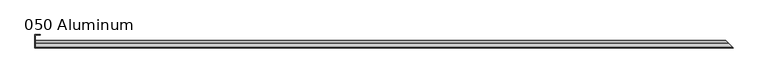
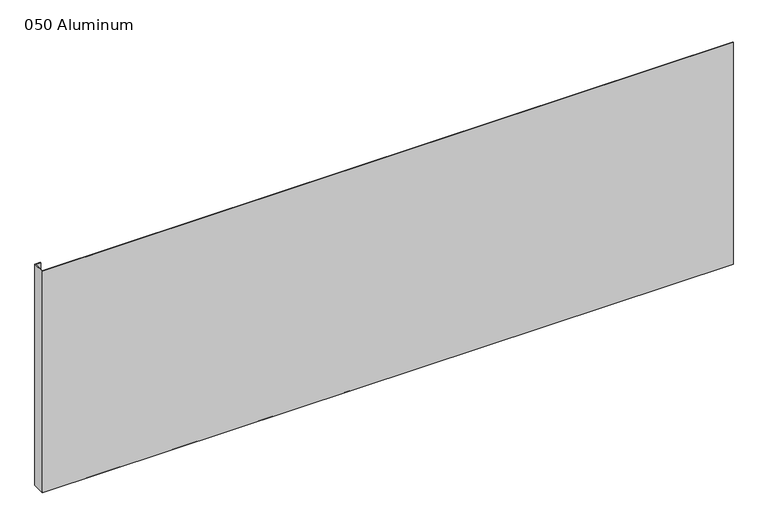
"""IFC4 building model written with IfcOpenShell, lengths in millimetres: plate geometry, 050 Aluminum."""

from ifc_helpers import new_model, si_unit, frame, origin, origin_with_axes, place, context, project, spatial, polyline, circle_curve, ellipse_curve, outline, extrude, source, transform, mapped, element, save
from ifc_brep_helpers import plane_surface, cylinder_surface, revolved_surface, advanced_brep


def plate_050_aluminum_1dc5d93a(model_context):
    return source(origin(), model_context, "Body", "SolidModel", [
        extrude(outline(polyline([(-897.2286226, -2.5660257), (-897.2286226, -34.7980001), (-898.4986226, -34.7980001), (-898.4986226, -1.2699999), (-884.3381221, -1.2699999), (-884.3381221, -2.5660257), (-897.2286226, -2.5660257)])), origin_with_axes(), (0.0, 0.0, 1.0), 621.03),
        advanced_brep(
        [(-897.2286226, -16.6765477, 13.1458337), (-897.2286226, -16.6765477, 2.786437), (-897.2286226, -17.9464915, 2.786437), (-897.2286226, -17.9464915, 13.1323356), (-897.2286226, -21.7564743, 13.124237), (-897.2286226, -21.7564743, 0.0), (-897.2286226, -34.7980002, 0.0), (-897.2286226, -34.7980002, 1.2693678), (-897.2286226, -23.0264743, 1.2693678), (-897.2286226, -23.0264743, 13.124237), (915.1751704, -16.6765477, 13.1458337), (915.1751704, -16.6765477, 2.786437), (916.4451141, -17.9464915, 2.786437), (916.4451141, -17.9464915, 13.1323356), (920.2550969, -21.7564743, 13.124237), (920.2550969, -21.7564743, 0.0), (933.2966226, -34.798, 0.0), (933.2966228, -34.7980002, 1.2693678), (921.5250969, -23.0264743, 1.2693678), (921.5250969, -23.0264743, 13.124237)],
        [
            (0, 1),
            (1, 2),
            (2, 3),
            (3, 4, circle_curve(frame((-897.2286226, -19.8514743, 13.124237), z_axis=(1.0, 0.0, 0.0), x_axis=(0.0, 0.0, -1.0)), 1.905)),
            (4, 5),
            (5, 6),
            (6, 7),
            (7, 8),
            (8, 9),
            (9, 0, circle_curve(frame((-897.2286226, -19.8514743, 13.124237), z_axis=(-1.0, 0.0, 0.0), x_axis=(0.0, 0.0, -1.0)), 3.175)),
            (0, 10),
            (10, 11),
            (11, 1),
            (11, 12),
            (12, 2),
            (12, 13),
            (13, 3),
            (13, 14, ellipse_curve(frame((918.3500969, -19.8514743, 13.124237), z_axis=(0.707106781186549, 0.7071067811865461, 0.0), x_axis=(0.7071067811865459, -0.707106781186549, 0.0)), 2.6940768, 1.905)),
            (14, 4),
            (14, 15),
            (15, 5),
            (15, 16),
            (16, 6),
            (16, 17),
            (17, 7),
            (17, 18),
            (18, 8),
            (18, 19),
            (19, 9),
            (19, 10, ellipse_curve(frame((918.3500969, -19.8514743, 13.124237), z_axis=(-0.707106781186549, -0.7071067811865461, 0.0), x_axis=(-0.7071067811865459, 0.707106781186549, 0.0)), 4.4901281, 3.175)),
        ],
        [
            plane_surface(frame((-897.2286226, -36.068, 0.0), z_axis=(-1.0, 0.0, 0.0), x_axis=(0.0, 0.0, 1.0))),
            plane_surface(frame((-897.2286226, -16.6765477, 13.1458337), z_axis=(0.0, 1.0, 0.0), x_axis=(1.0, 0.0, 0.0))),
            plane_surface(frame((-897.2286226, -16.6765477, 2.786437), z_axis=(0.0, 0.0, -1.0), x_axis=(1.0, 0.0, 0.0))),
            plane_surface(frame((-897.2286226, -17.9464915, 2.786437), z_axis=(0.0, -1.0, 0.0), x_axis=(1.0, 0.0, 0.0))),
            revolved_surface(polyline([(920.2550969, -19.8514743, 11.219237000000001), (-897.2286226, -19.8514743, 11.219237000000001)]), (-897.2286226, -19.8514743, 13.124237), (1.0, 0.0, 0.0)),
            plane_surface(frame((-897.2286226, -21.7564743, 13.124237), z_axis=(0.0, 1.0, 0.0), x_axis=(1.0, 0.0, 0.0))),
            plane_surface(frame((-897.2286226, -21.7564743, 0.0), z_axis=(0.0, 0.0, -1.0), x_axis=(1.0, 0.0, 0.0))),
            plane_surface(frame((-897.2286226, -34.7980002, 0.0), z_axis=(0.0, -1.0, 0.0), x_axis=(1.0, 0.0, 0.0))),
            plane_surface(frame((-897.2286226, -34.7980002, 1.2693678), z_axis=(0.0, 0.0, 1.0), x_axis=(1.0, 0.0, 0.0))),
            plane_surface(frame((-897.2286226, -23.0264743, 1.2693678), z_axis=(0.0, -1.0, 0.0), x_axis=(1.0, 0.0, 0.0))),
            cylinder_surface(frame((-897.2286226, -19.8514743, 13.124237), z_axis=(-1.0, 0.0, 0.0), x_axis=(0.0, 0.0, -1.0)), 3.175),
            plane_surface(frame((898.4986226, 0.0, 795.4549971), z_axis=(0.707106781186549, 0.7071067811865461, 0.0), x_axis=(0.0, 0.0, -1.0))),
        ],
        [
            (0, [[1, 2, 3, 4, 5, 6, 7, 8, 9, 10]]),
            (1, [[-1, 11, 12, 13]]),
            (2, [[-2, -13, 14, 15]]),
            (3, [[-3, -15, 16, 17]]),
            (4, [[-4, -17, 18, 19]]),
            (5, [[-5, -19, 20, 21]]),
            (6, [[-6, -21, 22, 23]]),
            (7, [[-7, -23, 24, 25]]),
            (8, [[-8, -25, 26, 27]]),
            (9, [[-9, -27, 28, 29]]),
            (10, [[-10, -29, 30, -11]]),
            (11, [[-12, -30, -28, -26, -24, -22, -20, -18, -16, -14]]),
        ],
    ),
        extrude(outline(polyline([(-898.4986226, -36.068), (-898.4986226, -34.7980001), (933.2966227, -34.7980001), (934.5666226, -36.068), (-898.4986226, -36.068)])), origin_with_axes(), (0.0, 0.0, 1.0), 622.3),
    ])


if __name__ == "__main__":
    model = new_model("IFC4")
    model_context = context("Model", 3, world=origin())
    ifc_project = project(units=[si_unit("LENGTHUNIT", "METRE", prefix="MILLI")], contexts=[model_context])
    site = spatial("IfcSite", under=ifc_project)
    building = spatial("IfcBuilding", under=site)
    placement = place(None, origin())
    plate_050_aluminum_shape = plate_050_aluminum_1dc5d93a(model_context)
    element("IfcPlate", 1, ObjectType="050 Aluminum", at=placement, inside=building, context=model_context, shape_type="MappedRepresentation", body=[
        mapped(plate_050_aluminum_shape, transform((0.0, 0.0, 0.0), x_axis=(1.0, 0.0, 0.0), y_axis=(0.0, 1.0, 0.0), z_axis=(0.0, 0.0, 1.0))),
    ])
    save(model, "model.ifc")
